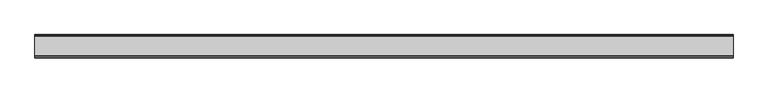
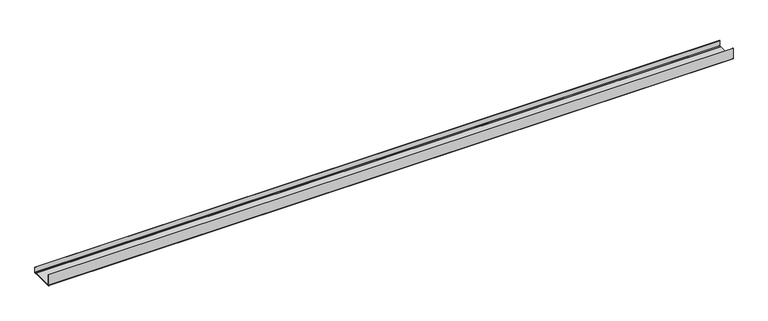
"""IFC4 building model written with IfcOpenShell, lengths in millimetres: proxy geometry."""

from ifc_helpers import new_model, si_unit, point, frame, frame_2d, origin, place, context, project, spatial, polyline, circle_curve, trimmed, segment, composite_curve, outline, extrude, source, transform, mapped, element, save


def generic_models_27d10f35(model_context):
    return source(origin(), model_context, "Body", "SweptSolid", [
        extrude(outline(composite_curve([segment(polyline([(49.75, 24.309779), (50.35, 25.0), (50.35, 1.25)]), True, "CONTINUOUS"), segment(trimmed(circle_curve(frame_2d((49.1, 1.25)), 1.25), [point((50.35, 1.25))], [point((49.1, 0.0))], False, "CARTESIAN"), True, "CONTINUOUS"), segment(polyline([(49.1, 0.0), (42.5236854, 0.0), (41.35, 0.8), (-41.35, 0.8), (-42.5236854, 0.0), (-49.1, 0.0)]), True, "CONTINUOUS"), segment(trimmed(circle_curve(frame_2d((-49.1, 1.25)), 1.25), [point((-49.1, 0.0))], [point((-50.35, 1.25))], False, "CARTESIAN"), True, "CONTINUOUS"), segment(polyline([(-50.35, 1.25), (-50.35, 50.0), (-50.0779242, 49.252478), (-49.75, 50.0), (-49.75, 1.25)]), True, "CONTINUOUS"), segment(trimmed(circle_curve(frame_2d((-49.1, 1.25)), 0.65), [point((-49.75, 1.25))], [point((-49.1, 0.6))], True, "CARTESIAN"), True, "CONTINUOUS"), segment(polyline([(-49.1, 0.6), (-42.7087217, 0.6), (-41.5350363, 1.4), (41.5350363, 1.4), (42.7087217, 0.6), (49.1, 0.6)]), True, "CONTINUOUS"), segment(trimmed(circle_curve(frame_2d((49.1, 1.25)), 0.65), [point((49.1, 0.6))], [point((49.75, 1.25))], True, "CARTESIAN"), True, "CONTINUOUS"), segment(polyline([(49.75, 1.25), (49.75, 24.309779)]), True, "CONTINUOUS")], self_intersect=False)), frame((0.0, 0.0, 0.0), z_axis=(1.0, 0.0, 0.0), x_axis=(0.0, 1.0, 0.0)), (0.0, 0.0, 1.0), 3000.0),
    ])


if __name__ == "__main__":
    model = new_model("IFC4")
    model_context = context("Model", 3, world=origin())
    ifc_project = project(units=[si_unit("LENGTHUNIT", "METRE", prefix="MILLI")], contexts=[model_context])
    site = spatial("IfcSite", under=ifc_project)
    building = spatial("IfcBuilding", under=site)
    placement = place(None, origin())
    generic_models_shape = generic_models_27d10f35(model_context)
    element("IfcBuildingElementProxy", 1, Name="Generic Models", at=placement, inside=building, context=model_context, shape_type="MappedRepresentation", body=[
        mapped(generic_models_shape, transform((0.0, 0.0, 0.0), x_axis=(1.0, 0.0, 0.0), y_axis=(0.0, 1.0, 0.0), z_axis=(0.0, 0.0, 1.0))),
    ])
    save(model, "model.ifc")
